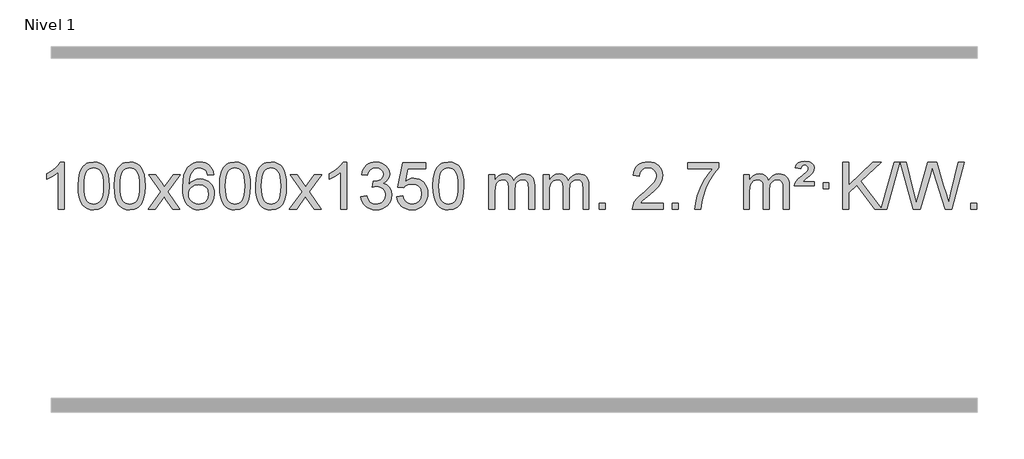
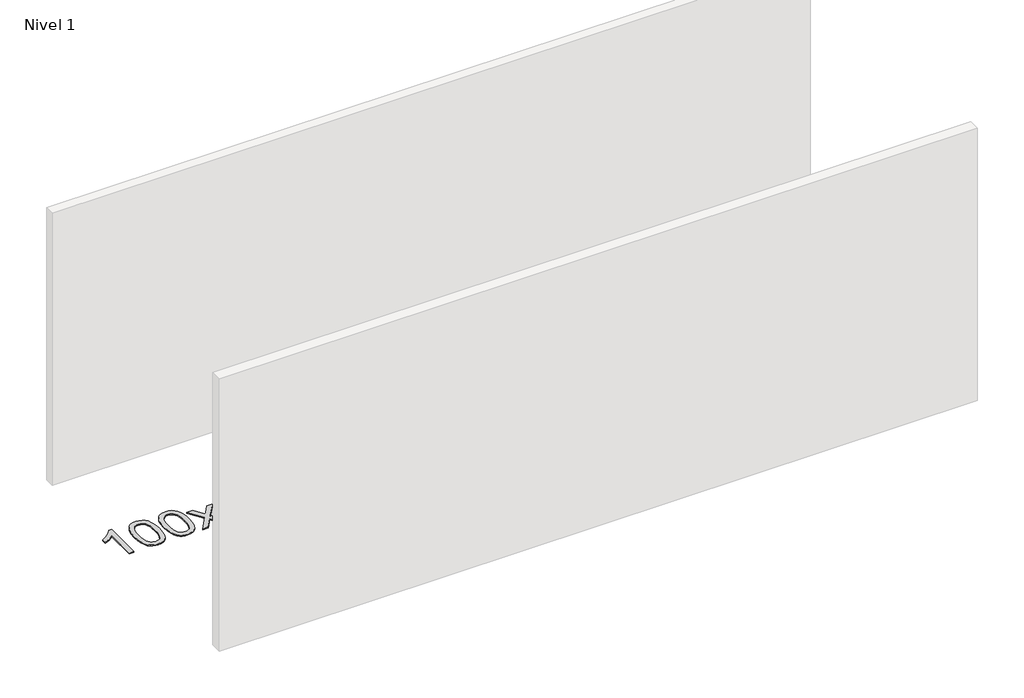
# One storey, part 16 of 25: 1 proxy.
"""IFC4 building model written with IfcOpenShell, lengths in millimetres."""

from ifc_helpers import new_model, si_unit, origin, origin_with_axes, place, context, project, spatial, polyline, outline, extrude, element, save

model = new_model("IFC4")

# Units and contexts
model_context = context("Model", 3, world=origin())
ifc_project = project(units=[si_unit("LENGTHUNIT", "METRE", prefix="MILLI")], contexts=[model_context])

# Site, building, storey
site = spatial("IfcSite", under=ifc_project)
building = spatial("IfcBuilding", under=site)
storey = spatial("IfcBuildingStorey", under=building, Name="Nivel 1", Elevation=0.0)

# Proxy
placement = place(None, origin())
element("IfcBuildingElementProxy", 1, Name="Texto de modelo 1", ObjectType="Texto de modelo 1", at=placement, inside=storey, context=model_context, shape_type="SweptSolid", body=[
    extrude(outline(polyline([(-121.6378538, -21530.579453), (-171.8660089, -21530.579453), (-171.8660089, -21217.4382987), (-192.8352826, -21234.3976587), (-219.4454136, -21251.3324932), (-272.3223191, -21276.6918254), (-272.3223191, -21229.2105225), (-232.8731065, -21207.7507395), (-198.6968691, -21182.219729), (-171.7556443, -21155.0700378), (-154.0114694, -21128.7542124), (-121.6378538, -21128.7542124), (-121.6378538, -21530.579453)])), origin_with_axes(), (0.0, 0.0, 1.0), 10.0),
    extrude(outline(polyline([(-2.3459855, -21332.9041943), (1.3450971, -21268.5861588), (12.4183452, -21217.2911459), (30.763394, -21178.2343407), (42.621457, -21163.0009605), (56.269879, -21150.6309284), (71.7546453, -21141.0598651), (89.1217412, -21134.2233914), (129.5029215, -21128.7542124), (160.4540601, -21131.991574), (188.167837, -21141.7036586), (211.3444027, -21157.5103217), (228.6839074, -21179.0314184), (241.7805065, -21206.0830078), (252.2283551, -21238.4811488), (259.0709602, -21279.6226186), (261.3518286, -21332.9041943), (257.6975341, -21396.8543477), (246.7346507, -21448.0267333), (228.4999664, -21487.1203266), (216.6694946, -21502.3996922), (203.0302696, -21514.8341036), (187.5271092, -21524.4695462), (170.1048311, -21531.3520052), (129.5029215, -21536.8579724), (101.8381955, -21534.4667394), (77.3127291, -21527.2930405), (55.9265225, -21515.3368757), (37.6795755, -21498.5982449), (20.1683926, -21468.3399508), (7.6604047, -21430.6381776), (0.155612, -21385.4929255), (-2.3459855, -21332.9041943)]), holes=[polyline([(47.8821695, -21332.8060924), (49.3536975, -21376.4706195), (53.7682815, -21411.8148822), (61.1259214, -21438.8388804), (71.4266172, -21457.5426142), (83.8855541, -21470.2682656), (97.7179171, -21479.3580165), (112.9237063, -21484.8118671), (129.5029215, -21486.6298173), (146.0821368, -21484.8057357), (161.2879259, -21479.3334911), (175.1202889, -21470.2130833), (187.5792258, -21457.4445124), (197.8799217, -21438.7101217), (205.2375616, -21411.6922549), (209.6521455, -21376.3909118), (211.1236735, -21332.8060924), (209.7011965, -21290.2973278), (205.4337653, -21255.5753989), (198.3213801, -21228.6403055), (188.3640408, -21209.4920476), (176.1135703, -21196.1440625), (162.1217918, -21186.6097875), (146.3887051, -21180.8892225), (128.9143103, -21178.9823675), (112.4209342, -21180.6623619), (97.4726625, -21185.7023452), (84.0694951, -21194.1023175), (72.2114321, -21205.8622786), (61.5673797, -21226.708925), (53.9644852, -21254.8151094), (49.4027484, -21290.1808319), (47.8821695, -21332.8060924)])]), origin_with_axes(), (0.0, 0.0, 1.0), 10.0),
    extrude(outline(polyline([(305.3014643, -21332.9041943), (308.992547, -21268.5861588), (320.065795, -21217.2911459), (338.4108439, -21178.2343407), (350.2689068, -21163.0009605), (363.9173289, -21150.6309284), (379.4020952, -21141.0598651), (396.769191, -21134.2233914), (437.1503714, -21128.7542124), (468.1015099, -21131.991574), (495.8152869, -21141.7036586), (518.9918526, -21157.5103217), (536.3313573, -21179.0314184), (549.4279563, -21206.0830078), (559.8758049, -21238.4811488), (566.7184101, -21279.6226186), (568.9992784, -21332.9041943), (565.3449839, -21396.8543477), (554.3821005, -21448.0267333), (536.1474163, -21487.1203266), (524.3169444, -21502.3996922), (510.6777195, -21514.8341036), (495.174559, -21524.4695462), (477.7522809, -21531.3520052), (437.1503714, -21536.8579724), (409.4856453, -21534.4667394), (384.960179, -21527.2930405), (363.5739723, -21515.3368757), (345.3270254, -21498.5982449), (327.8158424, -21468.3399508), (315.3078546, -21430.6381776), (307.8030619, -21385.4929255), (305.3014643, -21332.9041943)]), holes=[polyline([(355.5296194, -21332.8060924), (357.0011473, -21376.4706195), (361.4157313, -21411.8148822), (368.7733712, -21438.8388804), (379.0740671, -21457.5426142), (391.533004, -21470.2682656), (405.365367, -21479.3580165), (420.5711561, -21484.8118671), (437.1503714, -21486.6298173), (453.7295866, -21484.8057357), (468.9353757, -21479.3334911), (482.7677388, -21470.2130833), (495.2266757, -21457.4445124), (505.5273715, -21438.7101217), (512.8850114, -21411.6922549), (517.2995954, -21376.3909118), (518.7711234, -21332.8060924), (517.3486463, -21290.2973278), (513.0812152, -21255.5753989), (505.9688299, -21228.6403055), (496.0114906, -21209.4920476), (483.7610201, -21196.1440625), (469.7692416, -21186.6097875), (454.0361549, -21180.8892225), (436.5617602, -21178.9823675), (420.068384, -21180.6623619), (405.1201123, -21185.7023452), (391.716945, -21194.1023175), (379.858882, -21205.8622786), (369.2148296, -21226.708925), (361.611935, -21254.8151094), (357.0501983, -21290.1808319), (355.5296194, -21332.8060924)])]), origin_with_axes(), (0.0, 0.0, 1.0), 10.0),
    extrude(outline(polyline([(594.113356, -21530.579453), (701.4367967, -21382.1513307), (600.3918754, -21235.4890419), (660.6264207, -21235.4890419), (709.3830478, -21306.2204869), (732.2407824, -21339.4770192), (752.0573592, -21312.2047007), (807.583015, -21235.4890419), (868.0137641, -21235.4890419), (761.8675458, -21382.2494325), (864.0896895, -21530.579453), (803.7570423, -21530.579453), (742.1490708, -21441.3067555), (730.9654582, -21424.923744), (654.544105, -21530.579453), (594.113356, -21530.579453)])), origin_with_axes(), (0.0, 0.0, 1.0), 10.0),
    extrude(outline(polyline([(1152.9015812, -21235.4890419), (1102.6734261, -21241.7675613), (1094.5800222, -21216.874213), (1083.6416642, -21199.8780648), (1060.857506, -21184.2062918), (1033.3154073, -21178.9823675), (1009.9671633, -21182.0235253), (987.9923455, -21191.1469988), (969.1199991, -21210.3627017), (953.7057435, -21236.8134171), (943.2946831, -21274.227016), (939.4319221, -21326.3313693), (959.5795927, -21302.8237098), (983.7249143, -21286.2567573), (1010.5189863, -21276.434308), (1038.612908, -21273.1601582), (1062.7459669, -21275.398107), (1085.0150903, -21282.1119534), (1105.4202783, -21293.3016975), (1123.9615309, -21308.9673391), (1139.3696551, -21328.1769106), (1150.3754581, -21349.9984443), (1156.97894, -21374.4319401), (1159.1801006, -21401.4773982), (1155.0352967, -21437.4439945), (1142.6008853, -21470.786366), (1122.9069358, -21499.0642287), (1096.9835179, -21519.8372987), (1066.0078539, -21532.602804), (1031.1571662, -21536.8579724), (1001.2146375, -21534.0375437), (974.1722452, -21525.5762579), (950.0299893, -21511.4741147), (928.7878697, -21491.7311143), (911.4698248, -21465.5133908), (899.0997927, -21431.9870783), (891.6777734, -21391.1521768), (889.203767, -21343.0086864), (891.9506193, -21289.0342663), (900.191176, -21242.9693092), (913.9254371, -21204.8138149), (933.1534027, -21174.5677835), (953.9939177, -21154.5243462), (978.1576335, -21140.2076052), (1005.6445499, -21131.6175606), (1036.454667, -21128.7542124), (1059.5883131, -21130.5261773), (1080.52693, -21135.8420722), (1099.2705176, -21144.7018969), (1115.8190761, -21157.1056515), (1129.7250155, -21172.6364031), (1140.5407461, -21190.8772186), (1148.266268, -21211.8280983), (1152.9015812, -21235.4890419)]), holes=[polyline([(939.4319221, -21400.6925832), (942.3381899, -21422.9494439), (951.0569932, -21444.2007605), (964.5950506, -21462.472233), (981.9590807, -21475.7895612), (1002.9160917, -21483.9197533), (1027.2330916, -21486.6298173), (1060.3792594, -21481.0134855), (1074.2943959, -21473.9930708), (1086.4375674, -21464.1644901), (1096.2876078, -21451.9262824), (1103.323351, -21437.6769865), (1108.9519455, -21403.1451299), (1103.3969274, -21369.9989621), (1096.4531547, -21356.3781312), (1086.731873, -21344.725469), (1074.5519133, -21335.3904634), (1060.2321066, -21328.7226022), (1025.1729524, -21323.3883133), (992.0758356, -21328.7226022), (964.3988468, -21344.725469), (953.4758173, -21356.2248471), (945.6736533, -21369.3858254), (940.9923549, -21384.2084042), (939.4319221, -21400.6925832)])]), origin_with_axes(), (0.0, 0.0, 1.0), 10.0),
    extrude(outline(polyline([(1203.1297362, -21332.9041943), (1206.8208189, -21268.5861588), (1217.894067, -21217.2911459), (1236.2391158, -21178.2343407), (1248.0971788, -21163.0009605), (1261.7456008, -21150.6309284), (1277.2303671, -21141.0598651), (1294.597463, -21134.2233914), (1334.9786433, -21128.7542124), (1365.9297818, -21131.991574), (1393.6435588, -21141.7036586), (1416.8201245, -21157.5103217), (1434.1596292, -21179.0314184), (1447.2562282, -21206.0830078), (1457.7040769, -21238.4811488), (1464.546682, -21279.6226186), (1466.8275504, -21332.9041943), (1463.1732559, -21396.8543477), (1452.2103725, -21448.0267333), (1433.9756882, -21487.1203266), (1422.1452164, -21502.3996922), (1408.5059914, -21514.8341036), (1393.002831, -21524.4695462), (1375.5805529, -21531.3520052), (1334.9786433, -21536.8579724), (1307.3139173, -21534.4667394), (1282.7884509, -21527.2930405), (1261.4022443, -21515.3368757), (1243.1552973, -21498.5982449), (1225.6441144, -21468.3399508), (1213.1361265, -21430.6381776), (1205.6313338, -21385.4929255), (1203.1297362, -21332.9041943)]), holes=[polyline([(1253.3578913, -21332.8060924), (1254.8294193, -21376.4706195), (1259.2440032, -21411.8148822), (1266.6016432, -21438.8388804), (1276.902339, -21457.5426142), (1289.3612759, -21470.2682656), (1303.1936389, -21479.3580165), (1318.3994281, -21484.8118671), (1334.9786433, -21486.6298173), (1351.5578586, -21484.8057357), (1366.7636477, -21479.3334911), (1380.5960107, -21470.2130833), (1393.0549476, -21457.4445124), (1403.3556435, -21438.7101217), (1410.7132834, -21411.6922549), (1415.1278673, -21376.3909118), (1416.5993953, -21332.8060924), (1415.1769183, -21290.2973278), (1410.9094871, -21255.5753989), (1403.7971019, -21228.6403055), (1393.8397625, -21209.4920476), (1381.5892921, -21196.1440625), (1367.5975136, -21186.6097875), (1351.8644269, -21180.8892225), (1334.3900321, -21178.9823675), (1317.896656, -21180.6623619), (1302.9483843, -21185.7023452), (1289.5452169, -21194.1023175), (1277.6871539, -21205.8622786), (1267.0431015, -21226.708925), (1259.440207, -21254.8151094), (1254.8784702, -21290.1808319), (1253.3578913, -21332.8060924)])]), origin_with_axes(), (0.0, 0.0, 1.0), 10.0),
    extrude(outline(polyline([(1510.7771861, -21332.9041943), (1514.4682688, -21268.5861588), (1525.5415168, -21217.2911459), (1543.8865656, -21178.2343407), (1555.7446286, -21163.0009605), (1569.3930506, -21150.6309284), (1584.877817, -21141.0598651), (1602.2449128, -21134.2233914), (1642.6260932, -21128.7542124), (1673.5772317, -21131.991574), (1701.2910087, -21141.7036586), (1724.4675743, -21157.5103217), (1741.8070791, -21179.0314184), (1754.9036781, -21206.0830078), (1765.3515267, -21238.4811488), (1772.1941319, -21279.6226186), (1774.4750002, -21332.9041943), (1770.8207057, -21396.8543477), (1759.8578223, -21448.0267333), (1741.6231381, -21487.1203266), (1729.7926662, -21502.3996922), (1716.1534413, -21514.8341036), (1700.6502808, -21524.4695462), (1683.2280027, -21531.3520052), (1642.6260932, -21536.8579724), (1614.9613671, -21534.4667394), (1590.4359008, -21527.2930405), (1569.0496941, -21515.3368757), (1550.8027472, -21498.5982449), (1533.2915642, -21468.3399508), (1520.7835764, -21430.6381776), (1513.2787836, -21385.4929255), (1510.7771861, -21332.9041943)]), holes=[polyline([(1561.0053412, -21332.8060924), (1562.4768691, -21376.4706195), (1566.8914531, -21411.8148822), (1574.249093, -21438.8388804), (1584.5497888, -21457.5426142), (1597.0087258, -21470.2682656), (1610.8410888, -21479.3580165), (1626.0468779, -21484.8118671), (1642.6260932, -21486.6298173), (1659.2053084, -21484.8057357), (1674.4110975, -21479.3334911), (1688.2434606, -21470.2130833), (1700.7023975, -21457.4445124), (1711.0030933, -21438.7101217), (1718.3607332, -21411.6922549), (1722.7753172, -21376.3909118), (1724.2468452, -21332.8060924), (1722.8243681, -21290.2973278), (1718.556937, -21255.5753989), (1711.4445517, -21228.6403055), (1701.4872124, -21209.4920476), (1689.2367419, -21196.1440625), (1675.2449634, -21186.6097875), (1659.5118767, -21180.8892225), (1642.037482, -21178.9823675), (1625.5441058, -21180.6623619), (1610.5958341, -21185.7023452), (1597.1926667, -21194.1023175), (1585.3346038, -21205.8622786), (1574.6905514, -21226.708925), (1567.0876568, -21254.8151094), (1562.5259201, -21290.1808319), (1561.0053412, -21332.8060924)])]), origin_with_axes(), (0.0, 0.0, 1.0), 10.0),
    extrude(outline(polyline([(1799.5890778, -21530.579453), (1906.9125185, -21382.1513307), (1805.8675971, -21235.4890419), (1866.1021425, -21235.4890419), (1914.8587696, -21306.2204869), (1937.7165042, -21339.4770192), (1957.533081, -21312.2047007), (2013.0587368, -21235.4890419), (2073.4894859, -21235.4890419), (1967.3432676, -21382.2494325), (2069.5654113, -21530.579453), (2009.2327641, -21530.579453), (1947.6247926, -21441.3067555), (1936.44118, -21424.923744), (1860.0198268, -21530.579453), (1799.5890778, -21530.579453)])), origin_with_axes(), (0.0, 0.0, 1.0), 10.0),
    extrude(outline(polyline([(2289.3135897, -21530.579453), (2239.0854347, -21530.579453), (2239.0854347, -21217.4382987), (2218.1161609, -21234.3976587), (2191.50603, -21251.3324932), (2138.6291245, -21276.6918254), (2138.6291245, -21229.2105225), (2178.0783371, -21207.7507395), (2212.2545745, -21182.219729), (2239.1957993, -21155.0700378), (2256.9399742, -21128.7542124), (2289.3135897, -21128.7542124), (2289.3135897, -21530.579453)])), origin_with_axes(), (0.0, 0.0, 1.0), 10.0),
    extrude(outline(polyline([(2408.605458, -21423.8446235), (2458.8336131, -21417.5661041), (2470.0785394, -21449.1303793), (2486.5473901, -21470.4430095), (2509.0495055, -21482.5831154), (2538.3942259, -21486.6298173), (2572.8279807, -21481.0625364), (2587.1018021, -21474.1034354), (2599.4135862, -21464.3606939), (2616.4097344, -21439.4428201), (2622.0751171, -21409.2274455), (2616.4587853, -21380.5449126), (2599.6097899, -21357.2825078), (2574.1033049, -21341.8682522), (2542.5145043, -21336.730167), (2507.2959346, -21342.2238715), (2512.8877409, -21291.9957164), (2520.9320939, -21292.5843276), (2551.0248411, -21288.979084), (2577.9292777, -21278.1633534), (2589.0025257, -21269.9841103), (2596.9119886, -21259.8673555), (2601.6576664, -21247.8130888), (2603.239559, -21233.8213102), (2598.6532968, -21212.1285352), (2584.8945101, -21194.5315131), (2563.9007109, -21182.8696539), (2537.609411, -21178.9823675), (2511.2690602, -21182.9064421), (2489.7357007, -21194.6786659), (2474.0148768, -21214.299039), (2465.1121325, -21241.7675613), (2414.8839774, -21235.4890419), (2420.8375344, -21211.5092672), (2429.6728336, -21190.3867093), (2441.3898752, -21172.1213683), (2455.988659, -21156.713244), (2473.0093327, -21144.4811677), (2491.9920436, -21135.7439703), (2512.9367919, -21130.5016519), (2535.8435774, -21128.7542124), (2567.4201154, -21132.2000404), (2596.4214793, -21142.5375245), (2620.8733693, -21158.8469596), (2638.8014852, -21180.2086408), (2649.8011568, -21204.8199463), (2653.467714, -21230.8782543), (2649.9850978, -21255.1584659), (2639.5372491, -21277.1823347), (2622.2713208, -21295.9443165), (2598.3344657, -21310.4388671), (2629.7761135, -21323.1430586), (2653.0753066, -21344.77452), (2667.4962808, -21374.1560286), (2672.3032722, -21410.1103623), (2669.8997765, -21435.5923218), (2662.6892894, -21459.0631931), (2650.6718109, -21480.5229762), (2633.847341, -21499.971671), (2613.3501825, -21516.1094278), (2590.3146382, -21527.636397), (2564.7407082, -21534.5525785), (2536.6283924, -21536.8579724), (2511.2200092, -21534.8898037), (2488.067969, -21528.9852977), (2467.1722717, -21519.1444543), (2448.5329173, -21505.3672736), (2432.9040638, -21488.4630959), (2421.0398695, -21469.2412617), (2412.9403342, -21447.7017708), (2408.605458, -21423.8446235)])), origin_with_axes(), (0.0, 0.0, 1.0), 10.0),
    extrude(outline(polyline([(2716.2529079, -21423.8446235), (2766.481063, -21417.5661041), (2775.7026383, -21447.7201649), (2791.7913442, -21469.3148381), (2814.6736043, -21482.3010725), (2844.2758422, -21486.6298173), (2863.4057059, -21485.1245668), (2880.2792268, -21480.6088153), (2894.8964047, -21473.0825628), (2907.2572398, -21462.5458094), (2917.0858204, -21449.519721), (2924.1062352, -21434.5254641), (2929.7225669, -21398.6324441), (2924.4618544, -21364.8363514), (2917.8859638, -21350.9181493), (2908.6797168, -21338.9865099), (2896.8124568, -21329.4154467), (2882.2535268, -21322.5789729), (2845.0606571, -21317.1097939), (2820.6946063, -21319.2925604), (2800.9638686, -21325.8408599), (2785.2062565, -21335.8717757), (2772.7595823, -21348.5023908), (2722.5314273, -21342.2238715), (2766.481063, -21135.0327318), (2961.1151639, -21135.0327318), (2961.1151639, -21185.2608869), (2807.0952352, -21185.2608869), (2785.5128248, -21295.919791), (2803.2386056, -21283.2155994), (2821.3935821, -21274.1411769), (2839.9777542, -21268.6965234), (2858.991122, -21266.8816388), (2883.4552747, -21269.1318504), (2905.9328646, -21275.882485), (2926.4238917, -21287.1335427), (2944.9283561, -21302.8850234), (2960.2506412, -21322.1743027), (2971.1951305, -21344.038756), (2977.7618241, -21368.4783832), (2979.950722, -21395.4931844), (2977.9825533, -21421.5147042), (2972.0780473, -21445.7213394), (2962.237204, -21468.1130902), (2948.4600232, -21488.6899565), (2927.5888514, -21509.7634634), (2903.2350633, -21524.8159684), (2875.398659, -21533.8474714), (2844.0796385, -21536.8579724), (2818.1592862, -21534.9235262), (2794.7466629, -21529.1201877), (2773.8417685, -21519.447957), (2755.4446031, -21505.9068338), (2740.1376464, -21489.1712688), (2728.5033783, -21469.915712), (2720.5417988, -21448.1401636), (2716.2529079, -21423.8446235)])), origin_with_axes(), (0.0, 0.0, 1.0), 10.0),
    extrude(outline(polyline([(3023.9003577, -21332.9041943), (3027.5914404, -21268.5861588), (3038.6646885, -21217.2911459), (3057.0097373, -21178.2343407), (3068.8678003, -21163.0009605), (3082.5162223, -21150.6309284), (3098.0009886, -21141.0598651), (3115.3680844, -21134.2233914), (3155.7492648, -21128.7542124), (3186.7004033, -21131.991574), (3214.4141803, -21141.7036586), (3237.590746, -21157.5103217), (3254.9302507, -21179.0314184), (3268.0268497, -21206.0830078), (3278.4746984, -21238.4811488), (3285.3173035, -21279.6226186), (3287.5981719, -21332.9041943), (3283.9438774, -21396.8543477), (3272.9809939, -21448.0267333), (3254.7463097, -21487.1203266), (3242.9158379, -21502.3996922), (3229.2766129, -21514.8341036), (3213.7734525, -21524.4695462), (3196.3511743, -21531.3520052), (3155.7492648, -21536.8579724), (3128.0845387, -21534.4667394), (3103.5590724, -21527.2930405), (3082.1728657, -21515.3368757), (3063.9259188, -21498.5982449), (3046.4147358, -21468.3399508), (3033.906748, -21430.6381776), (3026.4019553, -21385.4929255), (3023.9003577, -21332.9041943)]), holes=[polyline([(3074.1285128, -21332.8060924), (3075.6000408, -21376.4706195), (3080.0146247, -21411.8148822), (3087.3722646, -21438.8388804), (3097.6729605, -21457.5426142), (3110.1318974, -21470.2682656), (3123.9642604, -21479.3580165), (3139.1700495, -21484.8118671), (3155.7492648, -21486.6298173), (3172.32848, -21484.8057357), (3187.5342692, -21479.3334911), (3201.3666322, -21470.2130833), (3213.8255691, -21457.4445124), (3224.126265, -21438.7101217), (3231.4839049, -21411.6922549), (3235.8984888, -21376.3909118), (3237.3700168, -21332.8060924), (3235.9475397, -21290.2973278), (3231.6801086, -21255.5753989), (3224.5677233, -21228.6403055), (3214.610384, -21209.4920476), (3202.3599136, -21196.1440625), (3188.368135, -21186.6097875), (3172.6350484, -21180.8892225), (3155.1606536, -21178.9823675), (3138.6672775, -21180.6623619), (3123.7190057, -21185.7023452), (3110.3158384, -21194.1023175), (3098.4577754, -21205.8622786), (3087.813723, -21226.708925), (3080.2108284, -21254.8151094), (3075.6490917, -21290.1808319), (3074.1285128, -21332.8060924)])]), origin_with_axes(), (0.0, 0.0, 1.0), 10.0),
    extrude(outline(polyline([(3501.0678309, -21530.579453), (3501.0678309, -21235.4890419), (3551.295986, -21235.4890419), (3551.295986, -21284.0494653), (3566.4036733, -21261.7435537), (3585.8278426, -21244.2691589), (3608.9063064, -21232.9751816), (3634.9768772, -21229.2105225), (3662.9113833, -21233.048758), (3685.3031341, -21244.5634645), (3702.0295022, -21262.9943524), (3712.9678601, -21287.5811324), (3731.2761208, -21262.0439906), (3752.1595554, -21243.803175), (3775.6181639, -21232.8586857), (3801.6519464, -21229.2105225), (3821.7597632, -21230.7280358), (3839.4089019, -21235.2805755), (3854.5993626, -21242.8681416), (3867.3311453, -21253.4907342), (3877.3957836, -21267.2709806), (3884.5848109, -21284.3315082), (3888.8982273, -21304.6723168), (3890.3360328, -21328.2934066), (3890.3360328, -21530.579453), (3840.1078777, -21530.579453), (3840.1078777, -21349.875817), (3838.942918, -21324.8230531), (3835.4480391, -21307.9372695), (3828.8997396, -21296.3735121), (3818.5745182, -21287.2868268), (3805.2939782, -21281.4007149), (3789.8797226, -21279.4386776), (3762.6687177, -21284.4663982), (3740.4854334, -21299.54956), (3731.8800604, -21311.1194488), (3725.7333654, -21325.7182326), (3720.8160094, -21364.0024856), (3720.8160094, -21530.579453), (3670.5878543, -21530.579453), (3670.5878543, -21344.2840106), (3667.6815865, -21315.8835206), (3658.9627833, -21295.6254854), (3643.6221041, -21283.4853796), (3620.8502086, -21279.4386776), (3601.4996156, -21282.1364789), (3583.6696016, -21290.2298828), (3568.9543218, -21303.5226856), (3558.9479315, -21321.8186835), (3553.2089724, -21347.2025411), (3551.295986, -21381.7589232), (3551.295986, -21530.579453), (3501.0678309, -21530.579453)])), origin_with_axes(), (0.0, 0.0, 1.0), 10.0),
    extrude(outline(polyline([(3965.6782654, -21530.579453), (3965.6782654, -21235.4890419), (4015.9064204, -21235.4890419), (4015.9064204, -21284.0494653), (4031.0141077, -21261.7435537), (4050.4382771, -21244.2691589), (4073.5167409, -21232.9751816), (4099.5873116, -21229.2105225), (4127.5218178, -21233.048758), (4149.9135685, -21244.5634645), (4166.6399366, -21262.9943524), (4177.5782946, -21287.5811324), (4195.8865552, -21262.0439906), (4216.7699898, -21243.803175), (4240.2285984, -21232.8586857), (4266.2623809, -21229.2105225), (4286.3701976, -21230.7280358), (4304.0193363, -21235.2805755), (4319.209797, -21242.8681416), (4331.9415798, -21253.4907342), (4342.006218, -21267.2709806), (4349.1952453, -21284.3315082), (4353.5086617, -21304.6723168), (4354.9464672, -21328.2934066), (4354.9464672, -21530.579453), (4304.7183121, -21530.579453), (4304.7183121, -21349.875817), (4303.5533525, -21324.8230531), (4300.0584735, -21307.9372695), (4293.510174, -21296.3735121), (4283.1849527, -21287.2868268), (4269.9044126, -21281.4007149), (4254.490157, -21279.4386776), (4227.2791521, -21284.4663982), (4205.0958678, -21299.54956), (4196.4904948, -21311.1194488), (4190.3437998, -21325.7182326), (4185.4264438, -21364.0024856), (4185.4264438, -21530.579453), (4135.1982887, -21530.579453), (4135.1982887, -21344.2840106), (4132.292021, -21315.8835206), (4123.5732177, -21295.6254854), (4108.2325385, -21283.4853796), (4085.460643, -21279.4386776), (4066.11005, -21282.1364789), (4048.280036, -21290.2298828), (4033.5647562, -21303.5226856), (4023.5583659, -21321.8186835), (4017.8194068, -21347.2025411), (4015.9064204, -21381.7589232), (4015.9064204, -21530.579453), (3965.6782654, -21530.579453)])), origin_with_axes(), (0.0, 0.0, 1.0), 10.0),
    extrude(outline(polyline([(4442.8457386, -21530.579453), (4442.8457386, -21480.3512979), (4493.0738936, -21480.3512979), (4493.0738936, -21530.579453), (4442.8457386, -21530.579453)])), origin_with_axes(), (0.0, 0.0, 1.0), 10.0),
    extrude(outline(polyline([(4989.076925, -21480.3512979), (4989.076925, -21530.579453), (4725.3791109, -21530.579453), (4726.4827569, -21512.8965918), (4730.7747135, -21495.9494945), (4743.1723367, -21468.8856424), (4761.3334445, -21442.6311307), (4787.5879563, -21415.1503456), (4824.2657912, -21384.4076736), (4878.4548091, -21336.2641831), (4910.9387892, -21300.7267824), (4927.1623852, -21271.884834), (4932.5702506, -21243.8277005), (4927.4566908, -21218.6768347), (4912.1160116, -21197.7688747), (4888.5347757, -21183.6789943), (4858.6995459, -21178.9823675), (4827.3682627, -21183.5686297), (4803.0267373, -21197.3274163), (4787.3181761, -21219.1796068), (4781.8857853, -21248.0460807), (4731.6576303, -21241.7675613), (4735.977178, -21215.838012), (4743.8345243, -21193.1826125), (4755.2296691, -21173.8013627), (4770.1626124, -21157.6942627), (4788.2899977, -21145.0329907), (4809.2684685, -21135.989225), (4833.0980247, -21130.5629655), (4859.7786664, -21128.7542124), (4886.6984314, -21130.7653006), (4910.6567464, -21136.7985654), (4931.6536112, -21146.8540066), (4949.6890261, -21160.9316242), (4964.1743796, -21177.9890861), (4974.5210607, -21196.9840598), (4980.7290694, -21217.9165453), (4982.7984056, -21240.7865427), (4980.5665882, -21264.8092369), (4973.8711359, -21288.4149983), (4961.9885474, -21312.4254299), (4944.1953216, -21337.6621347), (4915.8316198, -21367.7916701), (4872.2376033, -21406.4805933), (4814.4556046, -21454.795762), (4791.7940737, -21480.3512979), (4989.076925, -21480.3512979)])), origin_with_axes(), (0.0, 0.0, 1.0), 10.0),
    extrude(outline(polyline([(5064.4191576, -21530.579453), (5064.4191576, -21480.3512979), (5114.6473127, -21480.3512979), (5114.6473127, -21530.579453), (5064.4191576, -21530.579453)])), origin_with_axes(), (0.0, 0.0, 1.0), 10.0),
    extrude(outline(polyline([(5196.2680647, -21185.2608869), (5196.2680647, -21135.0327318), (5459.9658788, -21135.0327318), (5459.9658788, -21175.646904), (5422.3806017, -21223.214046), (5385.1632065, -21283.7061088), (5352.3358698, -21351.6048623), (5327.920768, -21421.3920768), (5315.9523405, -21473.6067947), (5309.2814136, -21530.579453), (5259.0532585, -21530.579453), (5264.4856493, -21478.8061935), (5279.0169881, -21417.2717985), (5302.2548675, -21352.0463207), (5333.80688, -21289.1998132), (5370.6441304, -21232.3865704), (5409.7377238, -21185.2608869), (5196.2680647, -21185.2608869)])), origin_with_axes(), (0.0, 0.0, 1.0), 10.0),
    extrude(outline(polyline([(5673.4355379, -21530.579453), (5673.4355379, -21235.4890419), (5723.663693, -21235.4890419), (5723.663693, -21284.0494653), (5738.7713803, -21261.7435537), (5758.1955496, -21244.2691589), (5781.2740134, -21232.9751816), (5807.3445842, -21229.2105225), (5835.2790903, -21233.048758), (5857.6708411, -21244.5634645), (5874.3972091, -21262.9943524), (5885.3355671, -21287.5811324), (5903.6438278, -21262.0439906), (5924.5272623, -21243.803175), (5947.9858709, -21232.8586857), (5974.0196534, -21229.2105225), (5994.1274702, -21230.7280358), (6011.7766089, -21235.2805755), (6026.9670696, -21242.8681416), (6039.6988523, -21253.4907342), (6049.7634906, -21267.2709806), (6056.9525179, -21284.3315082), (6061.2659343, -21304.6723168), (6062.7037397, -21328.2934066), (6062.7037397, -21530.579453), (6012.4755847, -21530.579453), (6012.4755847, -21349.875817), (6011.310625, -21324.8230531), (6007.8157461, -21307.9372695), (6001.2674465, -21296.3735121), (5990.9422252, -21287.2868268), (5977.6616852, -21281.4007149), (5962.2474296, -21279.4386776), (5935.0364247, -21284.4663982), (5912.8531404, -21299.54956), (5904.2477674, -21311.1194488), (5898.1010724, -21325.7182326), (5893.1837164, -21364.0024856), (5893.1837164, -21530.579453), (5842.9555613, -21530.579453), (5842.9555613, -21344.2840106), (5840.0492935, -21315.8835206), (5831.3304902, -21295.6254854), (5815.989811, -21283.4853796), (5793.2179155, -21279.4386776), (5773.8673226, -21282.1364789), (5756.0373086, -21290.2298828), (5741.3220287, -21303.5226856), (5731.3156385, -21321.8186835), (5725.5766794, -21347.2025411), (5723.663693, -21381.7589232), (5723.663693, -21530.579453), (5673.4355379, -21530.579453)])), origin_with_axes(), (0.0, 0.0, 1.0), 10.0),
    extrude(outline(polyline([(6106.6533754, -21329.6668327), (6110.4793482, -21313.8479069), (6118.8180067, -21297.9799302), (6140.3268407, -21272.8413272), (6172.2835234, -21245.1030247), (6216.4293628, -21207.726214), (6223.5662735, -21196.1992448), (6225.9452437, -21184.3779701), (6224.0567828, -21172.2869152), (6218.3914001, -21162.5012541), (6209.022672, -21156.026531), (6196.0241748, -21153.8682899), (6183.5897634, -21155.4869707), (6174.73607, -21160.343013), (6168.3103978, -21169.8098431), (6163.1600499, -21185.2608869), (6112.9318948, -21178.9823675), (6123.7721509, -21153.7701881), (6140.4004171, -21136.2099542), (6164.165594, -21125.9092583), (6196.4165822, -21122.475693), (6232.1992376, -21126.6082341), (6256.9454332, -21139.0058573), (6271.3664074, -21157.3386434), (6276.1733988, -21179.2766731), (6272.0776459, -21202.1834586), (6259.7903873, -21223.8149199), (6239.262572, -21243.6314968), (6202.7932035, -21271.6886303), (6177.1886166, -21298.2742358), (6276.1733988, -21298.2742358), (6276.1733988, -21329.6668327), (6106.6533754, -21329.6668327)])), origin_with_axes(), (0.0, 0.0, 1.0), 10.0),
    extrude(outline(polyline([(6351.5156314, -21354.7809102), (6351.5156314, -21304.5527552), (6401.7437865, -21304.5527552), (6401.7437865, -21354.7809102), (6351.5156314, -21354.7809102)])), origin_with_axes(), (0.0, 0.0, 1.0), 10.0),
    extrude(outline(polyline([(6792.3854144, -21530.579453), (6638.8559951, -21327.9009991), (6571.2638099, -21392.4520265), (6571.2638099, -21530.579453), (6521.0356548, -21530.579453), (6521.0356548, -21128.7542124), (6571.2638099, -21128.7542124), (6571.2638099, -21325.4484525), (6777.2777272, -21128.7542124), (6847.5186628, -21128.7542124), (6674.4669722, -21293.9577537), (6849.2180057, -21524.5373449), (6960.5320117, -21128.7542124), (7006.0512772, -21128.7542124), (6892.9398265, -21530.579453), (6853.7971822, -21530.579453), (6847.5186628, -21530.579453), (6792.3854144, -21530.579453)])), origin_with_axes(), (0.0, 0.0, 1.0), 10.0),
    extrude(outline(polyline([(7120.3399504, -21530.579453), (7010.7601668, -21128.7542124), (7062.5579517, -21128.7542124), (7126.1279605, -21392.844434), (7145.7483335, -21474.3670841), (7166.7421327, -21402.2622131), (7246.4008474, -21128.7542124), (7321.056367, -21128.7542124), (7378.9364675, -21327.0180823), (7403.731714, -21400.5944814), (7422.0031864, -21474.3670841), (7441.0349483, -21395.1988788), (7505.0954664, -21128.7542124), (7556.9913532, -21128.7542124), (7447.5096714, -21530.579453), (7393.7498492, -21530.579453), (7297.3157155, -21220.5775584), (7283.87576, -21177.3146358), (7268.7680727, -21229.4067263), (7180.9669032, -21530.579453), (7120.3399504, -21530.579453)])), origin_with_axes(), (0.0, 0.0, 1.0), 10.0),
    extrude(outline(polyline([(7613.4980277, -21530.579453), (7613.4980277, -21480.3512979), (7663.7261827, -21480.3512979), (7663.7261827, -21530.579453), (7613.4980277, -21530.579453)])), origin_with_axes(), (0.0, 0.0, 1.0), 10.0),
])

save(model, "model.ifc")
